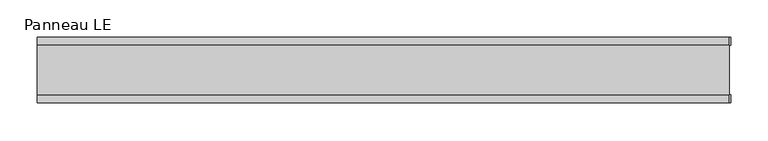
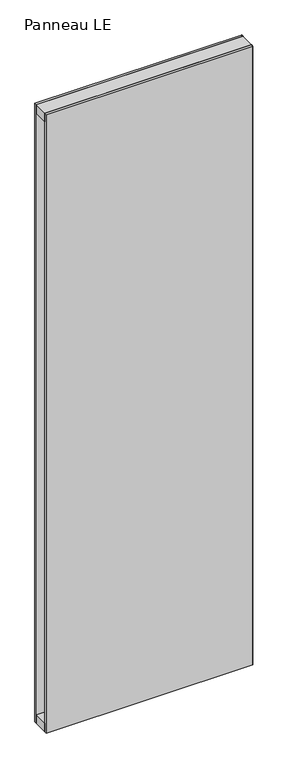
"""IFC4 building model written with IfcOpenShell, lengths in millimetres: plate geometry, Panneau LE."""

from ifc_helpers import new_model, si_unit, frame, origin, origin_with_axes, place, context, project, spatial, polyline, outline, extrude, source, transform, mapped, element, save


def panneau_le_b2fcb87a(model_context):
    return source(origin(), model_context, "Body", "SweptSolid", [
        extrude(outline(polyline([(464.7520246, 43.8), (464.7520246, 33.0), (462.7520246, 33.0), (462.7520246, 43.8), (464.7520246, 43.8)])), origin_with_axes(), (0.0, 0.0, 1.0), 2933.0),
        extrude(outline(polyline([(464.7520246, -33.0), (464.7520246, -43.8), (462.7520246, -43.8), (462.7520246, -33.0), (464.7520246, -33.0)])), origin_with_axes(), (0.0, 0.0, 1.0), 2933.0),
        extrude(outline(polyline([(462.7520246, -33.0), (-462.7520246, -33.0), (-462.7520246, 33.0), (462.7520246, 33.0), (462.7520246, -33.0)])), frame((0.0, 0.0, 2893.0), z_axis=(0.0, 0.0, 1.0), x_axis=(1.0, 0.0, 0.0)), (0.0, 0.0, 1.0), 40.0),
        extrude(outline(polyline([(462.7520246, -33.0), (-462.7520246, -33.0), (-462.7520246, 33.0), (462.7520246, 33.0), (462.7520246, -33.0)])), origin_with_axes(), (0.0, 0.0, 1.0), 40.0),
        extrude(outline(polyline([(462.7520246, 33.0), (-462.7520246, 33.0), (-462.7520246, 43.8), (462.7520246, 43.8), (462.7520246, 33.0)])), origin_with_axes(), (0.0, 0.0, 1.0), 2933.0),
        extrude(outline(polyline([(-462.7520246, -43.8), (-462.7520246, -33.0), (462.7520246, -33.0), (462.7520246, -43.8), (-462.7520246, -43.8)])), origin_with_axes(), (0.0, 0.0, 1.0), 2933.0),
    ])


if __name__ == "__main__":
    model = new_model("IFC4")
    model_context = context("Model", 3, world=origin())
    ifc_project = project(units=[si_unit("LENGTHUNIT", "METRE", prefix="MILLI")], contexts=[model_context])
    site = spatial("IfcSite", under=ifc_project)
    building = spatial("IfcBuilding", under=site)
    placement = place(None, origin())
    panneau_le_shape = panneau_le_b2fcb87a(model_context)
    element("IfcPlate", 1, ObjectType="Panneau LE", at=placement, inside=building, context=model_context, shape_type="MappedRepresentation", body=[
        mapped(panneau_le_shape, transform((0.0, 0.0, 0.0), x_axis=(1.0, 0.0, 0.0), y_axis=(0.0, 1.0, 0.0), z_axis=(0.0, 0.0, 1.0))),
    ])
    save(model, "model.ifc")
